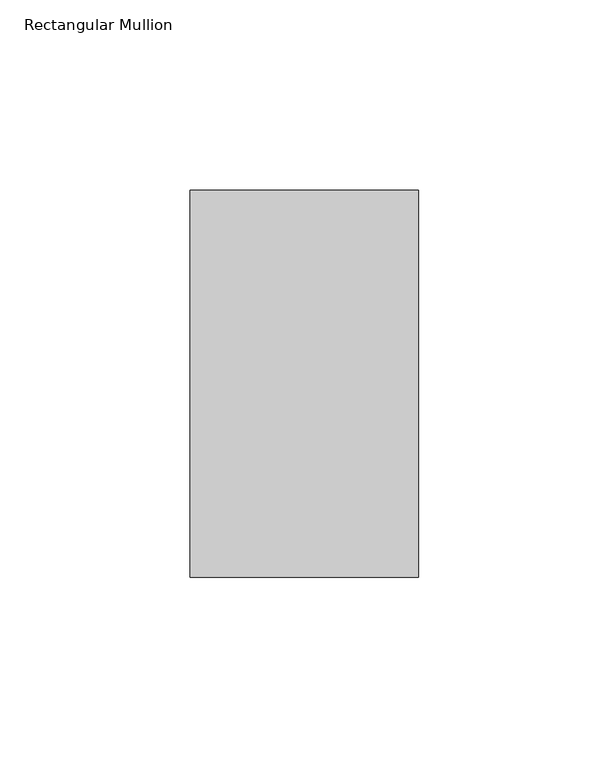
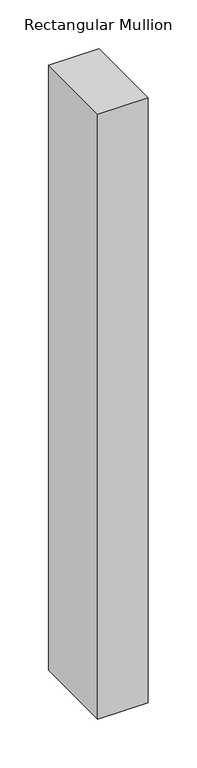
"""IFC4 building model written with IfcOpenShell, lengths in millimetres: member geometry, Rectangular Mullion."""

from ifc_helpers import new_model, si_unit, frame, origin, place, context, project, spatial, polyline, outline, extrude, source, transform, mapped, element, save


def rectangular_mullion_d21cefd7(model_context):
    return source(origin(), model_context, "Body", "SweptSolid", [
        extrude(outline(polyline([(0.0, 50.8), (0.0, -50.8), (-60.0, -50.8), (-60.0, 50.8), (0.0, 50.8)])), frame((0.0, 0.0, -760.0), z_axis=(0.0, 0.0, 1.0), x_axis=(1.0, 0.0, 0.0)), (0.0, 0.0, 1.0), 760.0),
    ])


if __name__ == "__main__":
    model = new_model("IFC4")
    model_context = context("Model", 3, world=origin())
    ifc_project = project(units=[si_unit("LENGTHUNIT", "METRE", prefix="MILLI")], contexts=[model_context])
    site = spatial("IfcSite", under=ifc_project)
    building = spatial("IfcBuilding", under=site)
    placement = place(None, origin())
    rectangular_mullion_shape = rectangular_mullion_d21cefd7(model_context)
    element("IfcMember", 1, ObjectType="Rectangular Mullion", at=placement, inside=building, context=model_context, shape_type="MappedRepresentation", body=[
        mapped(rectangular_mullion_shape, transform((0.0, 0.0, 0.0), x_axis=(1.0, 0.0, 0.0), y_axis=(0.0, 1.0, 0.0), z_axis=(0.0, 0.0, 1.0))),
    ])
    save(model, "model.ifc")
